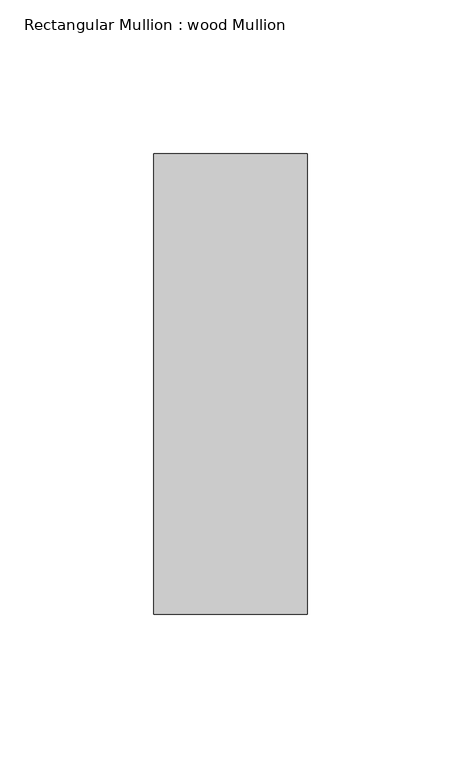
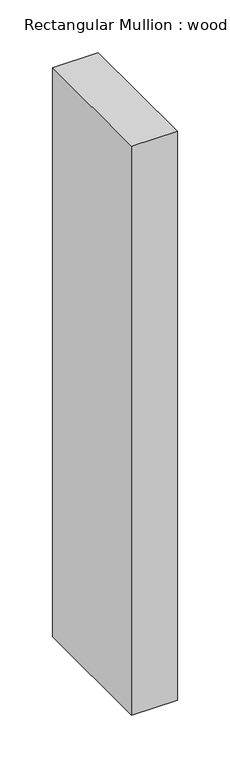
"""IFC4 building model written with IfcOpenShell, lengths in millimetres: member geometry, Rectangular Mullion : wood Mullion."""

import ifcopenshell
import ifcopenshell.guid

model = None  # the IFC model being written
_history = None  # IfcOwnerHistory: only IFC2X3 demands one
_inside = {}  # id of a spatial element -> (the spatial element, [elements in it])
_under = {}  # id of a project, library or spatial element -> (it, [spatial elements below it])
_declared = {}  # id of a project -> (the project, [libraries it declares])
_typed = {}  # id of a type object -> (the type object, [elements of that type])
_made_of = {}  # id of a material, layer set ... -> (it, [elements and type objects made of it])


def new_model(schema):
    """Start an empty IFC model of exactly this schema.

    Asked for "IFC4X3", IfcOpenShell would pick the latest addendum, in which some entities
    have other attributes; the version numbers below select the first issue.
    IFC2X3 requires an IfcOwnerHistory on every rooted entity: one is made here for all.
    """
    global model, _history
    if schema == "IFC4X3":
        model = ifcopenshell.file(schema_version=(4, 3, 0, 0))
    else:
        model = ifcopenshell.file(schema=schema)
    _inside.clear()
    _under.clear()
    _declared.clear()
    _typed.clear()
    _made_of.clear()
    _history = None
    if model.schema == "IFC2X3":
        org = make("IfcOrganization", Name="unknown")
        user = make(
            "IfcPersonAndOrganization",
            ThePerson=make("IfcPerson", FamilyName="unknown"),
            TheOrganization=org,
        )
        app = make(
            "IfcApplication",
            ApplicationDeveloper=org,
            Version="unknown",
            ApplicationFullName="unknown",
            ApplicationIdentifier="unknown",
        )
        _history = make(
            "IfcOwnerHistory",
            OwningUser=user,
            OwningApplication=app,
            ChangeAction="ADDED",
            CreationDate=0,
        )
    return model


def make(cls, **values):
    """One entity of the class cls with the attributes given. An attribute that is None is left unset."""
    return model.create_entity(
        cls, **{name: value for name, value in values.items() if value is not None}
    )


def rooted(cls, **values):
    """An entity with a GlobalId (a new one), such as an element, a storey or a relation."""
    return make(cls, GlobalId=ifcopenshell.guid.new(), OwnerHistory=_history, **values)


def si_unit(unit_type, name, prefix=None):
    """IfcSIUnit, for example si_unit("LENGTHUNIT", "METRE", prefix="MILLI")."""
    return make("IfcSIUnit", UnitType=unit_type, Prefix=prefix, Name=name)


def assignment(units):
    """IfcUnitAssignment: the units of a project."""
    return None if units is None else make("IfcUnitAssignment", Units=units)


def point(xyz):
    """IfcCartesianPoint."""
    return None if xyz is None else make("IfcCartesianPoint", Coordinates=xyz)


def direction(xyz):
    """IfcDirection."""
    return None if xyz is None else make("IfcDirection", DirectionRatios=xyz)


def frame(location, z_axis=None, x_axis=None):
    """IfcAxis2Placement3D, a coordinate frame: its origin and axes. An axis left out is left unset."""
    return make(
        "IfcAxis2Placement3D",
        Location=point(location),
        Axis=direction(z_axis),
        RefDirection=direction(x_axis),
    )


def origin():
    """The frame at (0, 0, 0) with its axes left unset."""
    return frame((0.0, 0.0, 0.0))


def place(relative_to, where):
    """IfcLocalPlacement: puts the frame where relative to a parent placement (None: the world)."""
    return make(
        "IfcLocalPlacement", PlacementRelTo=relative_to, RelativePlacement=where
    )


def context(
    kind, dimensions, precision=None, world=None, true_north=None, identifier=None
):
    """IfcGeometricRepresentationContext, for example the 3D "Model" context."""
    return make(
        "IfcGeometricRepresentationContext",
        ContextIdentifier=identifier,
        ContextType=kind,
        CoordinateSpaceDimension=dimensions,
        Precision=precision,
        WorldCoordinateSystem=world,
        TrueNorth=true_north,
    )


def project(units=None, contexts=None):
    """IfcProject with its units and contexts."""
    return rooted(
        "IfcProject",
        Name="project",
        RepresentationContexts=contexts,
        UnitsInContext=assignment(units),
    )


def spatial(cls, under=None, at=None, **own):
    """A site, building, storey or space (cls), placed at a placement, below another one or the project."""
    s = rooted(cls, ObjectPlacement=at, **own)
    if under is not None:
        _under.setdefault(under.id(), (under, []))[1].append(s)
    return s


def polyline(points):
    """IfcPolyline through the points."""
    return make("IfcPolyline", Points=[point(p) for p in points])


def outline(outer, holes=None, kind="AREA"):
    """IfcArbitraryClosedProfileDef: a profile drawn as a closed curve; with holes, ...WithVoids."""
    if holes is None:
        return make("IfcArbitraryClosedProfileDef", ProfileType=kind, OuterCurve=outer)
    return make(
        "IfcArbitraryProfileDefWithVoids",
        ProfileType=kind,
        OuterCurve=outer,
        InnerCurves=holes,
    )


def extrude(swept, where, along, depth):
    """IfcExtrudedAreaSolid: the profile swept, set in the frame where, extruded along a direction by depth."""
    return make(
        "IfcExtrudedAreaSolid",
        SweptArea=swept,
        Position=where,
        ExtrudedDirection=direction(along),
        Depth=depth,
    )


def shape(context_of_items, identifier, shape_type, items):
    """IfcShapeRepresentation: the items that make up one representation, for example the "Body"."""
    return make(
        "IfcShapeRepresentation",
        ContextOfItems=context_of_items,
        RepresentationIdentifier=identifier,
        RepresentationType=shape_type,
        Items=items,
    )


def source(mapping_origin, context_of_items, identifier, shape_type, items):
    """IfcRepresentationMap: a shape defined once, which mapped items show again and again."""
    return make(
        "IfcRepresentationMap",
        MappingOrigin=mapping_origin,
        MappedRepresentation=shape(context_of_items, identifier, shape_type, items),
    )


def transform(
    local_origin,
    x_axis=None,
    y_axis=None,
    z_axis=None,
    scale=None,
    scale2=None,
    scale3=None,
    uniform=True,
):
    """IfcCartesianTransformationOperator3D, or its non-uniform kind. x_axis, y_axis, z_axis: its Axis1, 2, 3."""
    if uniform:
        return make(
            "IfcCartesianTransformationOperator3D",
            Axis1=direction(x_axis),
            Axis2=direction(y_axis),
            LocalOrigin=point(local_origin),
            Scale=scale,
            Axis3=direction(z_axis),
        )
    return make(
        "IfcCartesianTransformationOperator3DnonUniform",
        Axis1=direction(x_axis),
        Axis2=direction(y_axis),
        LocalOrigin=point(local_origin),
        Scale=scale,
        Axis3=direction(z_axis),
        Scale2=scale2,
        Scale3=scale3,
    )


def mapped(mapping_source, mapping_target):
    """IfcMappedItem: shows the shape of a source again, moved by a transform."""
    return make(
        "IfcMappedItem", MappingSource=mapping_source, MappingTarget=mapping_target
    )


def made_of(thing, what):
    """Note that an element or type object is made of a material, layer set ...; save() writes the relation."""
    if what is not None:
        _made_of.setdefault(what.id(), (what, []))[1].append(thing)
    return thing


def element(
    cls,
    number,
    at=None,
    inside=None,
    cuts=None,
    type_object=None,
    material=None,
    context=None,
    identifier="Body",
    shape_type=None,
    held_by="IfcProductDefinitionShape",
    body=None,
    shapes=None,
    **own,
):
    """One element of the class cls, such as IfcWall. Its Tag is "e" and its number.

    at: its placement. inside: the storey or other place that contains it. cuts: it is an
    opening in that element (IfcRelVoidsElement). A single representation is given by context,
    identifier, shape_type and body (its items); several are given by shapes. held_by: the class
    of the entity that holds the representations. save() writes the other relations.
    """
    e = rooted(cls, Tag="e%d" % number, ObjectPlacement=at, **own)
    if body is not None:
        shapes = [shape(context, identifier, shape_type, body)]
    if shapes is not None:
        e.Representation = make(held_by, Representations=shapes)
    if inside is not None:
        _inside.setdefault(inside.id(), (inside, []))[1].append(e)
    if cuts is not None:
        rooted(
            "IfcRelVoidsElement", RelatingBuildingElement=cuts, RelatedOpeningElement=e
        )
    if type_object is not None:
        _typed.setdefault(type_object.id(), (type_object, []))[1].append(e)
    return made_of(e, material)


def aggregate(whole, parts):
    """IfcRelAggregates: a whole, such as a stair, and the parts it consists of."""
    return rooted("IfcRelAggregates", RelatingObject=whole, RelatedObjects=parts)


def save(model, path):
    """Write the relations noted so far, then the file.

    IfcRelAggregates (storeys below a building ...), IfcRelContainedInSpatialStructure (elements
    in a storey), IfcRelDefinesByType, IfcRelAssociatesMaterial and IfcRelDeclares: one each for
    every whole, place, type object, material and project.
    """
    for whole, parts in _under.values():
        aggregate(whole, parts)
    for where, things in _inside.values():
        rooted(
            "IfcRelContainedInSpatialStructure",
            RelatedElements=things,
            RelatingStructure=where,
        )
    for kind, things in _typed.values():
        rooted("IfcRelDefinesByType", RelatedObjects=things, RelatingType=kind)
    for what, things in _made_of.values():
        rooted("IfcRelAssociatesMaterial", RelatedObjects=things, RelatingMaterial=what)
    for by, libraries in _declared.values():
        rooted("IfcRelDeclares", RelatingContext=by, RelatedDefinitions=libraries)
    model.write(path)


def rectangular_mullion_wood_mullion_41f4dec8(model_context):
    return source(origin(), model_context, "Body", "SweptSolid", [
        extrude(outline(polyline([(25.0, 75.0), (25.0, -75.0), (-25.0, -75.0), (-25.0, 75.0), (25.0, 75.0)])), frame((0.0, 0.0, -658.3333333), z_axis=(0.0, 0.0, 1.0), x_axis=(1.0, 0.0, 0.0)), (0.0, 0.0, 1.0), 658.3333333),
    ])


if __name__ == "__main__":
    model = new_model("IFC4")
    model_context = context("Model", 3, world=origin())
    ifc_project = project(units=[si_unit("LENGTHUNIT", "METRE", prefix="MILLI")], contexts=[model_context])
    site = spatial("IfcSite", under=ifc_project)
    building = spatial("IfcBuilding", under=site)
    placement = place(None, origin())
    rectangular_mullion_wood_mullion_shape = rectangular_mullion_wood_mullion_41f4dec8(model_context)
    element("IfcMember", 1, ObjectType="Rectangular Mullion : wood Mullion", at=placement, inside=building, context=model_context, shape_type="MappedRepresentation", body=[
        mapped(rectangular_mullion_wood_mullion_shape, transform((0.0, 0.0, 0.0), x_axis=(1.0, 0.0, 0.0), y_axis=(0.0, 1.0, 0.0), z_axis=(0.0, 0.0, 1.0))),
    ])
    save(model, "model.ifc")
